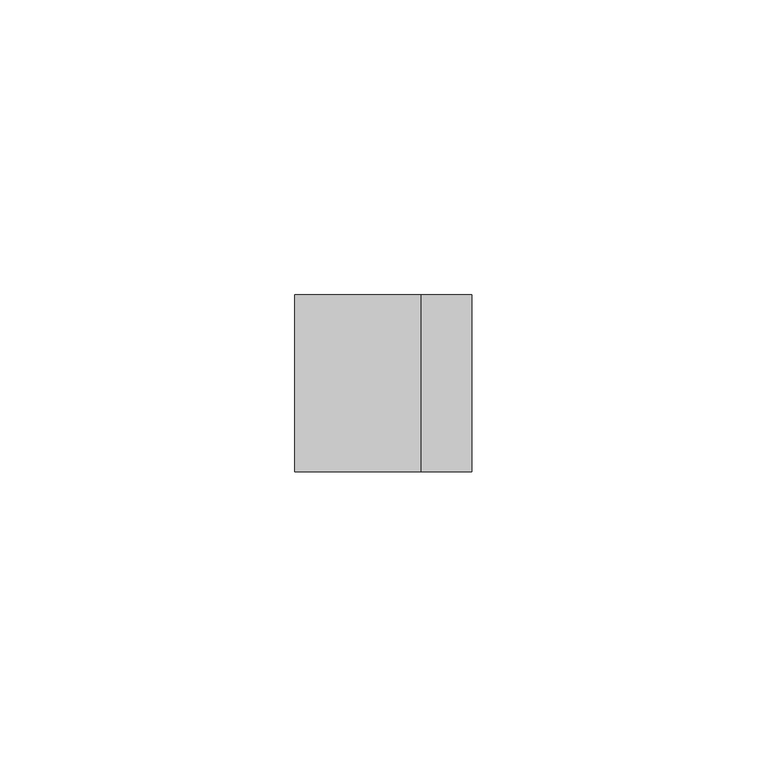
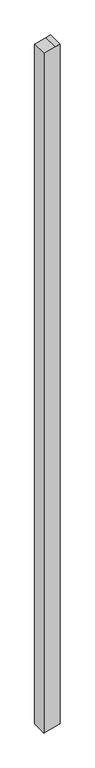
"""IFC4 building model written with IfcOpenShell, lengths in millimetres: member geometry."""

from ifc_helpers import new_model, si_unit, frame, origin, place, context, project, spatial, polyline, outline, extrude, source, transform, mapped, element, save


def member_7a9b4e4f(model_context):
    return source(origin(), model_context, "Body", "SweptSolid", [
        extrude(outline(polyline([(3.1373334, 15.0), (0.8518543, 6.4704761), (-4.9011424, -15.0), (-1349.8685643, -15.0), (-1349.2674725, -12.7137556), (-1341.981064, 15.0), (3.1373334, 15.0)])), frame((0.0, -15.0, 0.0), z_axis=(0.0, 1.0, 0.0), x_axis=(0.0, 0.0, 1.0)), (0.0, 0.0, 1.0), 30.0),
    ])


if __name__ == "__main__":
    model = new_model("IFC4")
    model_context = context("Model", 3, world=origin())
    ifc_project = project(units=[si_unit("LENGTHUNIT", "METRE", prefix="MILLI")], contexts=[model_context])
    site = spatial("IfcSite", under=ifc_project)
    building = spatial("IfcBuilding", under=site)
    placement = place(None, origin())
    member_shape = member_7a9b4e4f(model_context)
    element("IfcMember", 1, at=placement, inside=building, context=model_context, shape_type="MappedRepresentation", body=[
        mapped(member_shape, transform((0.0, 0.0, 0.0), x_axis=(1.0, 0.0, 0.0), y_axis=(0.0, 1.0, 0.0), z_axis=(0.0, 0.0, 1.0))),
    ])
    save(model, "model.ifc")
